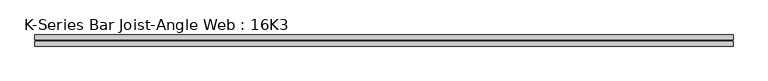
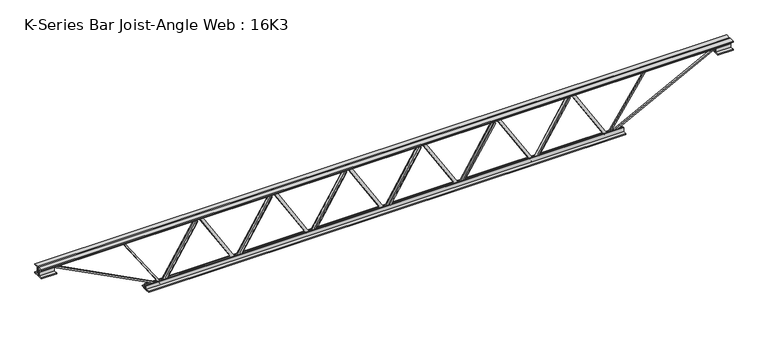
"""IFC4 building model written with IfcOpenShell, lengths in millimetres: beam geometry, K-Series Bar Joist-Angle Web : 16K3."""

from ifc_helpers import new_model, si_unit, frame, origin, place, context, project, spatial, polyline, outline, extrude, faceted_brep, source, transform, mapped, element, save


def k_series_bar_joist_angle_web_16k3_e2770970(model_context):
    return source(origin(), model_context, "Body", "SolidModel", [
        extrude(outline(polyline([(-4.7625, 4.7625), (-4.7625, 0.0), (-17.4625, 0.0), (-17.4625, 4.7625), (-4.7625, 4.7625)])), frame((954.2845188, 0.0, -165.1), z_axis=(-0.5236021869860749, 0.0, 0.8519628805196854), x_axis=(0.0, -1.0, 0.0)), (0.0, 0.0, 1.0), 387.5755711),
        extrude(outline(polyline([(-200.025, 987.425), (-180.975, 987.425), (-180.975, 986.4011583), (200.025, 752.2449083), (200.025, 734.21875), (180.975, 734.21875), (180.975, 741.5925917), (-200.025, 975.7488417), (-200.025, 987.425)])), frame((0.0, 0.0, 0.0), z_axis=(0.0, 1.0, 0.0), x_axis=(0.0, 0.0, 1.0)), (0.0, 0.0, 1.0), 4.7625),
        faceted_brep([(493.7125, 0.0, -180.975), (493.7125, 0.0, -200.025), (493.7125, -4.7625, -200.025), (493.7125, -4.7625, -180.975), (494.7363417, 0.0, -180.975), (728.8925917, 0.0, 200.025), (746.91875, 0.0, 200.025), (746.91875, 0.0, 180.975), (739.5449083, 0.0, 180.975), (505.3886583, 0.0, -200.025), (505.3886583, -4.7625, -200.025), (526.8529812, -4.7625, -165.1), (522.795508, -4.7625, -162.6063446), (725.7309247, -4.7625, 167.5936554), (729.7883979, -4.7625, 165.1), (739.5449083, -4.7625, 180.975), (746.91875, -4.7625, 180.975), (746.91875, -4.7625, 200.025), (728.8925917, -4.7625, 200.025), (494.7363417, -4.7625, -180.975), (729.7883979, -17.4625, 165.1), (526.8529812, -17.4625, -165.1), (522.795508, -17.4625, -162.6063446), (725.7309247, -17.4625, 167.5936554)], [[[0, 1, 2, 3]], [[1, 0, 4, 5, 6, 7, 8, 9]], [[2, 1, 9, 10]], [[3, 2, 10, 11, 12, 13, 14, 15, 16, 17, 18, 19]], [[0, 3, 19, 4]], [[9, 8, 15, 14, 20, 21, 11, 10]], [[5, 4, 19, 18]], [[7, 6, 17, 16]], [[8, 7, 16, 15]], [[6, 5, 18, 17]], [[21, 22, 12, 11]], [[20, 14, 13, 23]], [[22, 21, 20, 23]], [[12, 22, 23, 13]]]),
        extrude(outline(polyline([(-4.7625, 4.7625), (-4.7625, 0.0), (-17.4625, 0.0), (-17.4625, 4.7625), (-4.7625, 4.7625)])), frame((460.5720188, 0.0, -165.1), z_axis=(-0.5236021869860749, 0.0, 0.8519628805196854), x_axis=(0.0, -1.0, 0.0)), (0.0, 0.0, 1.0), 387.5755711),
        extrude(outline(polyline([(-200.025, 493.7125), (-180.975, 493.7125), (-180.975, 492.6886583), (200.025, 258.5324083), (200.025, 240.50625), (180.975, 240.50625), (180.975, 247.8800917), (-200.025, 482.0363417), (-200.025, 493.7125)])), frame((0.0, 0.0, 0.0), z_axis=(0.0, 1.0, 0.0), x_axis=(0.0, 0.0, 1.0)), (0.0, 0.0, 1.0), 4.7625),
        faceted_brep([(0.0, 0.0, -180.975), (0.0, 0.0, -200.025), (0.0, -4.7625, -200.025), (0.0, -4.7625, -180.975), (1.0238417, 0.0, -180.975), (235.1800917, 0.0, 200.025), (253.20625, 0.0, 200.025), (253.20625, 0.0, 180.975), (245.8324083, 0.0, 180.975), (11.6761583, 0.0, -200.025), (11.6761583, -4.7625, -200.025), (33.1404812, -4.7625, -165.1), (29.083008, -4.7625, -162.6063446), (232.0184247, -4.7625, 167.5936554), (236.0758979, -4.7625, 165.1), (245.8324083, -4.7625, 180.975), (253.20625, -4.7625, 180.975), (253.20625, -4.7625, 200.025), (235.1800917, -4.7625, 200.025), (1.0238417, -4.7625, -180.975), (236.0758979, -17.4625, 165.1), (33.1404812, -17.4625, -165.1), (29.083008, -17.4625, -162.6063446), (232.0184247, -17.4625, 167.5936554)], [[[0, 1, 2, 3]], [[1, 0, 4, 5, 6, 7, 8, 9]], [[2, 1, 9, 10]], [[3, 2, 10, 11, 12, 13, 14, 15, 16, 17, 18, 19]], [[0, 3, 19, 4]], [[9, 8, 15, 14, 20, 21, 11, 10]], [[5, 4, 19, 18]], [[7, 6, 17, 16]], [[8, 7, 16, 15]], [[6, 5, 18, 17]], [[21, 22, 12, 11]], [[20, 14, 13, 23]], [[22, 21, 20, 23]], [[12, 22, 23, 13]]]),
        extrude(outline(polyline([(-4.7625, 4.7625), (-4.7625, 0.0), (-17.4625, 0.0), (-17.4625, 4.7625), (-4.7625, 4.7625)])), frame((-33.1404812, 0.0, -165.1), z_axis=(-0.5236021869860749, 0.0, 0.8519628805196854), x_axis=(0.0, -1.0, 0.0)), (0.0, 0.0, 1.0), 387.5755711),
        extrude(outline(polyline([(-200.025, 0.0), (-180.975, 0.0), (-180.975, -1.0238417), (200.025, -235.1800917), (200.025, -253.20625), (180.975, -253.20625), (180.975, -245.8324083), (-200.025, -11.6761583), (-200.025, 0.0)])), frame((0.0, 0.0, 0.0), z_axis=(0.0, 1.0, 0.0), x_axis=(0.0, 0.0, 1.0)), (0.0, 0.0, 1.0), 4.7625),
        faceted_brep([(-493.7125, 0.0, -180.975), (-493.7125, 0.0, -200.025), (-493.7125, -4.7625, -200.025), (-493.7125, -4.7625, -180.975), (-492.6886583, 0.0, -180.975), (-258.5324083, 0.0, 200.025), (-240.50625, 0.0, 200.025), (-240.50625, 0.0, 180.975), (-247.8800917, 0.0, 180.975), (-482.0363417, 0.0, -200.025), (-482.0363417, -4.7625, -200.025), (-460.5720188, -4.7625, -165.1), (-464.629492, -4.7625, -162.6063446), (-261.6940753, -4.7625, 167.5936554), (-257.6366021, -4.7625, 165.1), (-247.8800917, -4.7625, 180.975), (-240.50625, -4.7625, 180.975), (-240.50625, -4.7625, 200.025), (-258.5324083, -4.7625, 200.025), (-492.6886583, -4.7625, -180.975), (-257.6366021, -17.4625, 165.1), (-460.5720188, -17.4625, -165.1), (-464.629492, -17.4625, -162.6063446), (-261.6940753, -17.4625, 167.5936554)], [[[0, 1, 2, 3]], [[1, 0, 4, 5, 6, 7, 8, 9]], [[2, 1, 9, 10]], [[3, 2, 10, 11, 12, 13, 14, 15, 16, 17, 18, 19]], [[0, 3, 19, 4]], [[9, 8, 15, 14, 20, 21, 11, 10]], [[5, 4, 19, 18]], [[7, 6, 17, 16]], [[8, 7, 16, 15]], [[6, 5, 18, 17]], [[21, 22, 12, 11]], [[20, 14, 13, 23]], [[22, 21, 20, 23]], [[12, 22, 23, 13]]]),
        extrude(outline(polyline([(-4.7625, 4.7625), (-4.7625, 0.0), (-17.4625, 0.0), (-17.4625, 4.7625), (-4.7625, 4.7625)])), frame((-526.8529812, 0.0, -165.1), z_axis=(-0.5236021869860749, 0.0, 0.8519628805196854), x_axis=(0.0, -1.0, 0.0)), (0.0, 0.0, 1.0), 387.5755711),
        extrude(outline(polyline([(-200.025, -493.7125), (-180.975, -493.7125), (-180.975, -494.7363417), (200.025, -728.8925917), (200.025, -746.91875), (180.975, -746.91875), (180.975, -739.5449083), (-200.025, -505.3886583), (-200.025, -493.7125)])), frame((0.0, 0.0, 0.0), z_axis=(0.0, 1.0, 0.0), x_axis=(0.0, 0.0, 1.0)), (0.0, 0.0, 1.0), 4.7625),
        faceted_brep([(-987.425, 0.0, -180.975), (-987.425, 0.0, -200.025), (-987.425, -4.7625, -200.025), (-987.425, -4.7625, -180.975), (-986.4011583, 0.0, -180.975), (-752.2449083, 0.0, 200.025), (-734.21875, 0.0, 200.025), (-734.21875, 0.0, 180.975), (-741.5925917, 0.0, 180.975), (-975.7488417, 0.0, -200.025), (-975.7488417, -4.7625, -200.025), (-954.2845188, -4.7625, -165.1), (-958.341992, -4.7625, -162.6063446), (-755.4065753, -4.7625, 167.5936554), (-751.3491021, -4.7625, 165.1), (-741.5925917, -4.7625, 180.975), (-734.21875, -4.7625, 180.975), (-734.21875, -4.7625, 200.025), (-752.2449083, -4.7625, 200.025), (-986.4011583, -4.7625, -180.975), (-751.3491021, -17.4625, 165.1), (-954.2845188, -17.4625, -165.1), (-958.341992, -17.4625, -162.6063446), (-755.4065753, -17.4625, 167.5936554)], [[[0, 1, 2, 3]], [[1, 0, 4, 5, 6, 7, 8, 9]], [[2, 1, 9, 10]], [[3, 2, 10, 11, 12, 13, 14, 15, 16, 17, 18, 19]], [[0, 3, 19, 4]], [[9, 8, 15, 14, 20, 21, 11, 10]], [[5, 4, 19, 18]], [[7, 6, 17, 16]], [[8, 7, 16, 15]], [[6, 5, 18, 17]], [[21, 22, 12, 11]], [[20, 14, 13, 23]], [[22, 21, 20, 23]], [[12, 22, 23, 13]]]),
        extrude(outline(polyline([(-4.7625, 4.7625), (-4.7625, 0.0), (-17.4625, 0.0), (-17.4625, 4.7625), (-4.7625, 4.7625)])), frame((1447.9970188, 0.0, -165.1), z_axis=(-0.5236021869860749, 0.0, 0.8519628805196854), x_axis=(0.0, -1.0, 0.0)), (0.0, 0.0, 1.0), 387.5755711),
        extrude(outline(polyline([(-200.025, 1481.1375), (-180.975, 1481.1375), (-180.975, 1480.1136583), (200.025, 1245.9574083), (200.025, 1227.93125), (180.975, 1227.93125), (180.975, 1235.3050917), (-200.025, 1469.4613417), (-200.025, 1481.1375)])), frame((0.0, 0.0, 0.0), z_axis=(0.0, 1.0, 0.0), x_axis=(0.0, 0.0, 1.0)), (0.0, 0.0, 1.0), 4.7625),
        faceted_brep([(987.425, 0.0, -180.975), (987.425, 0.0, -200.025), (987.425, -4.7625, -200.025), (987.425, -4.7625, -180.975), (988.4488417, 0.0, -180.975), (1222.6050917, 0.0, 200.025), (1240.63125, 0.0, 200.025), (1240.63125, 0.0, 180.975), (1233.2574083, 0.0, 180.975), (999.1011583, 0.0, -200.025), (999.1011583, -4.7625, -200.025), (1020.5654812, -4.7625, -165.1), (1016.508008, -4.7625, -162.6063446), (1219.4434247, -4.7625, 167.5936554), (1223.5008979, -4.7625, 165.1), (1233.2574083, -4.7625, 180.975), (1240.63125, -4.7625, 180.975), (1240.63125, -4.7625, 200.025), (1222.6050917, -4.7625, 200.025), (988.4488417, -4.7625, -180.975), (1223.5008979, -17.4625, 165.1), (1020.5654812, -17.4625, -165.1), (1016.508008, -17.4625, -162.6063446), (1219.4434247, -17.4625, 167.5936554)], [[[0, 1, 2, 3]], [[1, 0, 4, 5, 6, 7, 8, 9]], [[2, 1, 9, 10]], [[3, 2, 10, 11, 12, 13, 14, 15, 16, 17, 18, 19]], [[0, 3, 19, 4]], [[9, 8, 15, 14, 20, 21, 11, 10]], [[5, 4, 19, 18]], [[7, 6, 17, 16]], [[8, 7, 16, 15]], [[6, 5, 18, 17]], [[21, 22, 12, 11]], [[20, 14, 13, 23]], [[22, 21, 20, 23]], [[12, 22, 23, 13]]]),
        extrude(outline(polyline([(-4.7625, 4.7625), (-4.7625, 0.0), (-17.4625, 0.0), (-17.4625, 4.7625), (-4.7625, 4.7625)])), frame((-1020.5654812, 0.0, -165.1), z_axis=(-0.5236021869860749, 0.0, 0.8519628805196854), x_axis=(0.0, -1.0, 0.0)), (0.0, 0.0, 1.0), 387.5755711),
        extrude(outline(polyline([(-200.025, -987.425), (-180.975, -987.425), (-180.975, -988.4488417), (200.025, -1222.6050917), (200.025, -1240.63125), (180.975, -1240.63125), (180.975, -1233.2574083), (-200.025, -999.1011583), (-200.025, -987.425)])), frame((0.0, 0.0, 0.0), z_axis=(0.0, 1.0, 0.0), x_axis=(0.0, 0.0, 1.0)), (0.0, 0.0, 1.0), 4.7625),
        faceted_brep([(-1481.1375, 0.0, -180.975), (-1481.1375, 0.0, -200.025), (-1481.1375, -4.7625, -200.025), (-1481.1375, -4.7625, -180.975), (-1480.1136583, 0.0, -180.975), (-1245.9574083, 0.0, 200.025), (-1227.93125, 0.0, 200.025), (-1227.93125, 0.0, 180.975), (-1235.3050917, 0.0, 180.975), (-1469.4613417, 0.0, -200.025), (-1469.4613417, -4.7625, -200.025), (-1447.9970188, -4.7625, -165.1), (-1452.054492, -4.7625, -162.6063446), (-1249.1190753, -4.7625, 167.5936554), (-1245.0616021, -4.7625, 165.1), (-1235.3050917, -4.7625, 180.975), (-1227.93125, -4.7625, 180.975), (-1227.93125, -4.7625, 200.025), (-1245.9574083, -4.7625, 200.025), (-1480.1136583, -4.7625, -180.975), (-1245.0616021, -17.4625, 165.1), (-1447.9970188, -17.4625, -165.1), (-1452.054492, -17.4625, -162.6063446), (-1249.1190753, -17.4625, 167.5936554)], [[[0, 1, 2, 3]], [[1, 0, 4, 5, 6, 7, 8, 9]], [[2, 1, 9, 10]], [[3, 2, 10, 11, 12, 13, 14, 15, 16, 17, 18, 19]], [[0, 3, 19, 4]], [[9, 8, 15, 14, 20, 21, 11, 10]], [[5, 4, 19, 18]], [[7, 6, 17, 16]], [[8, 7, 16, 15]], [[6, 5, 18, 17]], [[21, 22, 12, 11]], [[20, 14, 13, 23]], [[22, 21, 20, 23]], [[12, 22, 23, 13]]]),
        extrude(outline(polyline([(4.7625, 203.2), (36.5125, 203.2), (36.5125, 196.85), (11.1125, 196.85), (11.1125, 171.45), (4.7625, 171.45), (4.7625, 203.2)])), frame((-2293.9375, 0.0, 0.0), z_axis=(1.0, 0.0, 0.0), x_axis=(0.0, 1.0, 0.0)), (0.0, 0.0, 1.0), 4587.875),
        extrude(outline(polyline([(-4.7625, 203.2), (-4.7625, 171.45), (-11.1125, 171.45), (-11.1125, 196.85), (-36.5125, 196.85), (-36.5125, 203.2), (-4.7625, 203.2)])), frame((-2293.9375, 0.0, 0.0), z_axis=(1.0, 0.0, 0.0), x_axis=(0.0, 1.0, 0.0)), (0.0, 0.0, 1.0), 4587.875),
        extrude(outline(polyline([(-4.7625, 139.7), (-36.5125, 139.7), (-36.5125, 146.05), (-11.1125, 146.05), (-11.1125, 171.45), (-4.7625, 171.45), (-4.7625, 139.7)])), frame((-2293.9375, 0.0, 0.0), z_axis=(1.0, 0.0, 0.0), x_axis=(0.0, 1.0, 0.0)), (0.0, 0.0, 1.0), 101.6),
        extrude(outline(polyline([(36.5125, 139.7), (4.7625, 139.7), (4.7625, 171.45), (11.1125, 171.45), (11.1125, 146.05), (36.5125, 146.05), (36.5125, 139.7)])), frame((-2293.9375, 0.0, 0.0), z_axis=(1.0, 0.0, 0.0), x_axis=(0.0, 1.0, 0.0)), (0.0, 0.0, 1.0), 101.6),
        extrude(outline(polyline([(4.7625, 139.7), (4.7625, 171.45), (11.1125, 171.45), (11.1125, 146.05), (36.5125, 146.05), (36.5125, 139.7), (4.7625, 139.7)])), frame((2192.3375, 0.0, 0.0), z_axis=(1.0, 0.0, 0.0), x_axis=(0.0, 1.0, 0.0)), (0.0, 0.0, 1.0), 101.6),
        extrude(outline(polyline([(-4.7625, 139.7), (-36.5125, 139.7), (-36.5125, 146.05), (-11.1125, 146.05), (-11.1125, 171.45), (-4.7625, 171.45), (-4.7625, 139.7)])), frame((2192.3375, 0.0, 0.0), z_axis=(1.0, 0.0, 0.0), x_axis=(0.0, 1.0, 0.0)), (0.0, 0.0, 1.0), 101.6),
        extrude(outline(polyline([(4.7625, -203.2), (4.7625, -171.45), (11.1125, -171.45), (11.1125, -196.85), (36.5125, -196.85), (36.5125, -203.2), (4.7625, -203.2)])), frame((-1582.7375, 0.0, 0.0), z_axis=(1.0, 0.0, 0.0), x_axis=(0.0, 1.0, 0.0)), (0.0, 0.0, 1.0), 3165.475),
        extrude(outline(polyline([(-4.7625, -203.2), (-36.5125, -203.2), (-36.5125, -196.85), (-11.1125, -196.85), (-11.1125, -171.45), (-4.7625, -171.45), (-4.7625, -203.2)])), frame((-1582.7375, 0.0, 0.0), z_axis=(1.0, 0.0, 0.0), x_axis=(0.0, 1.0, 0.0)), (0.0, 0.0, 1.0), 3165.475),
        extrude(outline(polyline([(4.7625, 4.7624999), (4.7625, -4.7624999), (-4.7625, -4.7624999), (-4.7625, 4.7624999), (4.7625, 4.7624999)])), frame((1481.1375, 0.0, -196.85), z_axis=(0.5567641465187603, 0.0, 0.8306706237439944), x_axis=(0.0, -1.0, 0.0)), (0.0, 0.0, 1.0), 443.3767001),
        extrude(outline(polyline([(4.7625, 4.7624999), (4.7625, -4.7624999), (-4.7625, -4.7624999), (-4.7625, 4.7624999), (4.7625, 4.7624999)])), frame((-1481.1375, 0.0, -196.85), z_axis=(-0.5567641465187306, 0.0, 0.8306706237440141), x_axis=(0.0, -1.0, 0.0)), (0.0, 0.0, 1.0), 443.3767001),
        extrude(outline(polyline([(0.0, -9.525), (0.0, 0.0), (800.9059433, 0.0), (800.9059433, -9.525), (0.0, -9.525)])), frame((2194.5275559, -4.7625, 167.2209266), z_axis=(-0.45985424766101635, 0.0, 0.8879944092775138), x_axis=(-0.8879944092775138, 0.0, -0.45985424766101635)), (0.0, 0.0, 1.0), 9.525),
        extrude(outline(polyline([(0.0, -9.525), (0.0, 0.0), (800.9059433, 0.0), (800.9059433, -9.525), (0.0, -9.525)])), frame((-2194.5275559, 4.7625, 167.2209266), z_axis=(0.45985424766101357, 0.0, 0.8879944092775153), x_axis=(0.8879944092775153, 0.0, -0.45985424766101357)), (0.0, 0.0, 1.0), 9.525),
    ])


if __name__ == "__main__":
    model = new_model("IFC4")
    model_context = context("Model", 3, world=origin())
    ifc_project = project(units=[si_unit("LENGTHUNIT", "METRE", prefix="MILLI")], contexts=[model_context])
    site = spatial("IfcSite", under=ifc_project)
    building = spatial("IfcBuilding", under=site)
    placement = place(None, origin())
    k_series_bar_joist_angle_web_16k3_shape = k_series_bar_joist_angle_web_16k3_e2770970(model_context)
    element("IfcBeam", 1, ObjectType="K-Series Bar Joist-Angle Web : 16K3", at=placement, inside=building, context=model_context, shape_type="MappedRepresentation", body=[
        mapped(k_series_bar_joist_angle_web_16k3_shape, transform((0.0, 0.0, 0.0), x_axis=(1.0, 0.0, 0.0), y_axis=(0.0, 1.0, 0.0), z_axis=(0.0, 0.0, 1.0))),
    ])
    save(model, "model.ifc")
